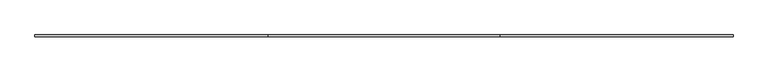
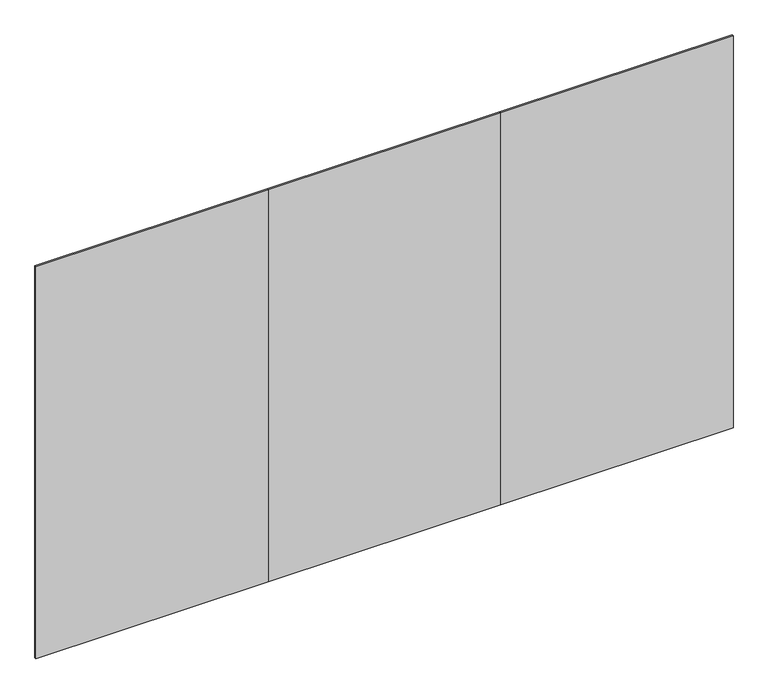
"""IFC4 building model written with IfcOpenShell, lengths in millimetres: furniture geometry."""

from ifc_helpers import new_model, si_unit, frame, origin, place, context, project, spatial, polyline, outline, extrude, source, transform, mapped, element, save


def furniture_453a02a4(model_context):
    return source(origin(), model_context, "Body", "SweptSolid", [
        extrude(outline(polyline([(1219.2, -4.7752), (0.0, -4.7752), (0.0, 4.7498), (1219.2, 4.7498), (1219.2, -4.7752)])), frame((0.0, 0.0, 12.7), z_axis=(0.0, 0.0, 1.0), x_axis=(1.0, 0.0, 0.0)), (0.0, 0.0, 1.0), 2173.6010468),
        extrude(outline(polyline([(3657.6, -4.7752), (2438.4, -4.7752), (2438.4, 4.7498), (3657.6, 4.7498), (3657.6, -4.7752)])), frame((0.0, 0.0, 12.7), z_axis=(0.0, 0.0, 1.0), x_axis=(1.0, 0.0, 0.0)), (0.0, 0.0, 1.0), 2173.6010468),
        extrude(outline(polyline([(2438.4, -4.7752), (1219.2, -4.7752), (1219.2, 4.7498), (2438.4, 4.7498), (2438.4, -4.7752)])), frame((0.0, 0.0, 12.7), z_axis=(0.0, 0.0, 1.0), x_axis=(1.0, 0.0, 0.0)), (0.0, 0.0, 1.0), 2173.6010468),
    ])


if __name__ == "__main__":
    model = new_model("IFC4")
    model_context = context("Model", 3, world=origin())
    ifc_project = project(units=[si_unit("LENGTHUNIT", "METRE", prefix="MILLI")], contexts=[model_context])
    site = spatial("IfcSite", under=ifc_project)
    building = spatial("IfcBuilding", under=site)
    placement = place(None, origin())
    furniture_shape = furniture_453a02a4(model_context)
    element("IfcFurniture", 1, at=placement, inside=building, context=model_context, shape_type="MappedRepresentation", body=[
        mapped(furniture_shape, transform((0.0, 0.0, 0.0), x_axis=(1.0, 0.0, 0.0), y_axis=(0.0, 1.0, 0.0), z_axis=(0.0, 0.0, 1.0))),
    ])
    save(model, "model.ifc")
